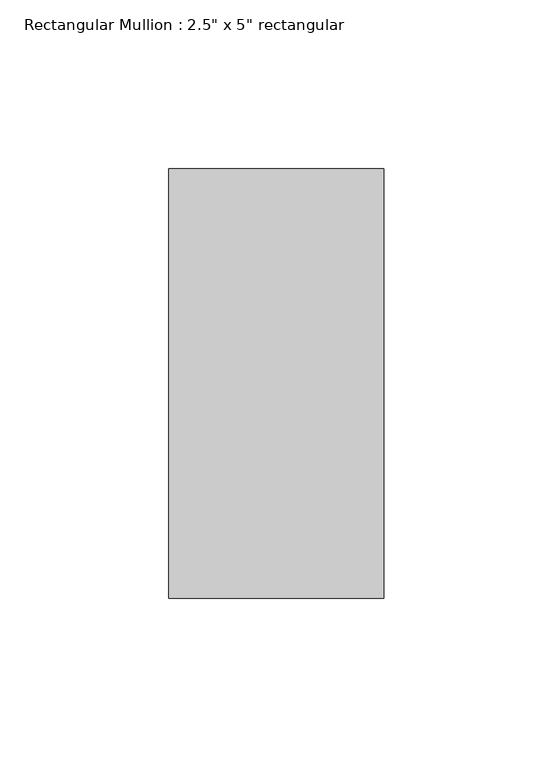
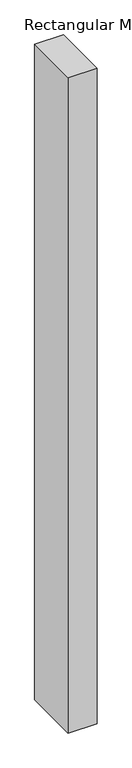
"""IFC4 building model written with IfcOpenShell, lengths in millimetres: member geometry."""

from ifc_helpers import new_model, si_unit, frame, origin, place, context, project, spatial, polyline, outline, extrude, source, transform, mapped, element, save


def member_3374d02b(model_context):
    return source(origin(), model_context, "Body", "SweptSolid", [
        extrude(outline(polyline([(31.75, 63.5), (31.75, -63.5), (-31.75, -63.5), (-31.75, 63.5), (31.75, 63.5)])), frame((0.0, 0.0, -1520.2838622), z_axis=(0.0, 0.0, 1.0), x_axis=(1.0, 0.0, 0.0)), (0.0, 0.0, 1.0), 1520.2838622),
    ])


if __name__ == "__main__":
    model = new_model("IFC4")
    model_context = context("Model", 3, world=origin())
    ifc_project = project(units=[si_unit("LENGTHUNIT", "METRE", prefix="MILLI")], contexts=[model_context])
    site = spatial("IfcSite", under=ifc_project)
    building = spatial("IfcBuilding", under=site)
    placement = place(None, origin())
    member_shape = member_3374d02b(model_context)
    element("IfcMember", 1, ObjectType="Rectangular Mullion : 2.5\" x 5\" rectangular", at=placement, inside=building, context=model_context, shape_type="MappedRepresentation", body=[
        mapped(member_shape, transform((0.0, 0.0, 0.0), x_axis=(1.0, 0.0, 0.0), y_axis=(0.0, 1.0, 0.0), z_axis=(0.0, 0.0, 1.0))),
    ])
    save(model, "model.ifc")
